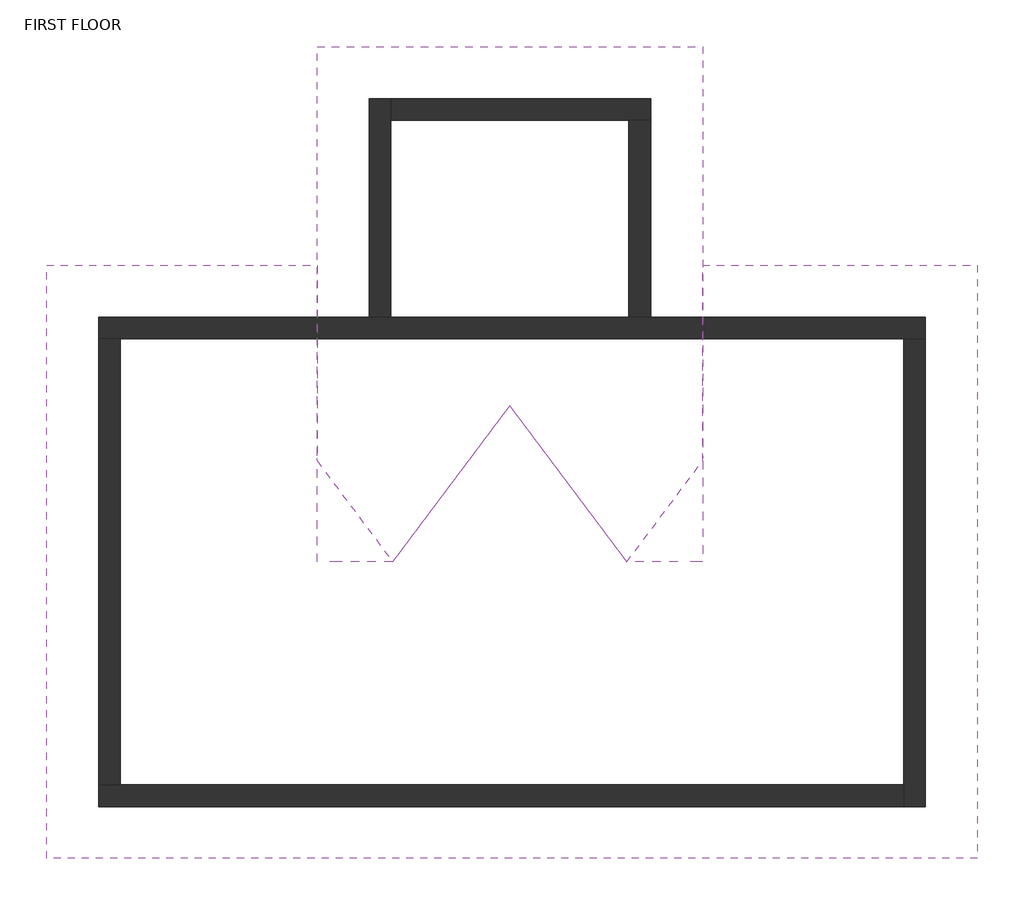
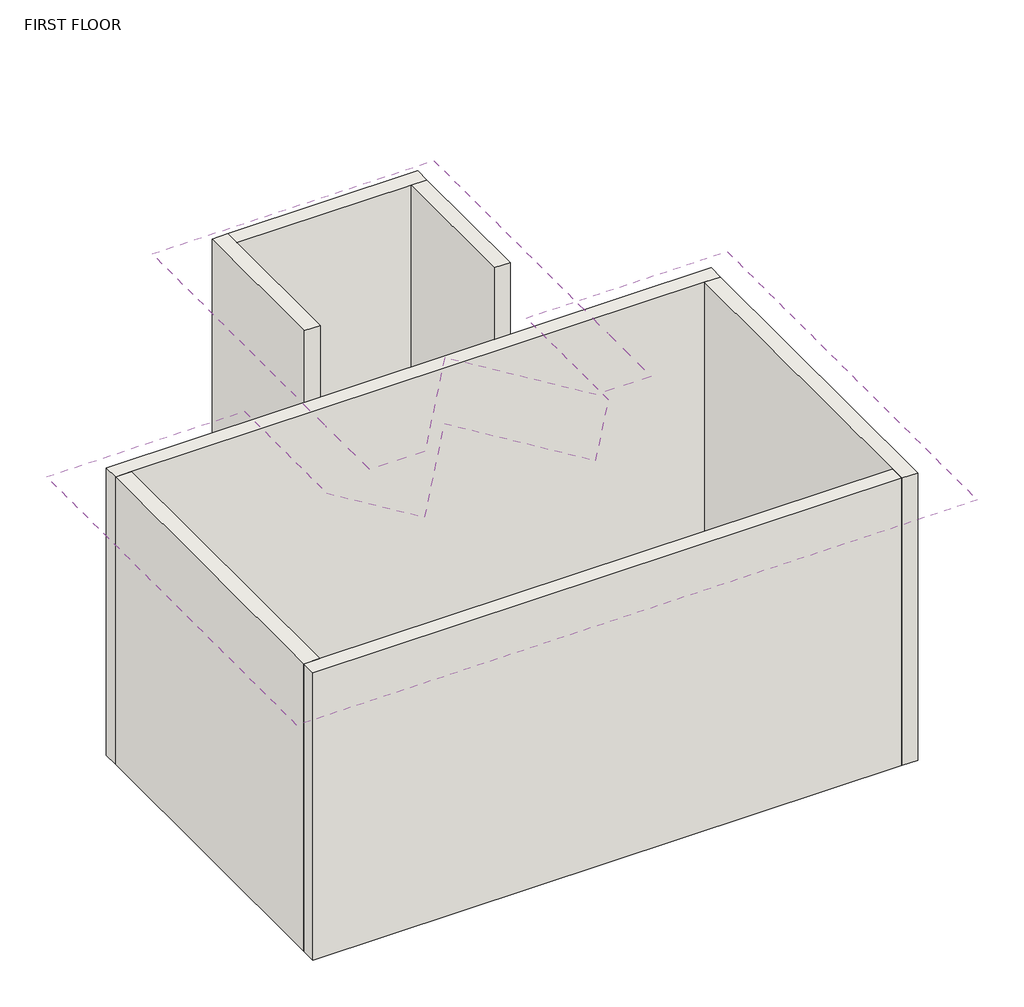
# One storey: 7 walls, 2 roofs.
"""IFC4 building model written with IfcOpenShell, lengths in millimetres."""

from ifc_helpers import new_model, si_unit, origin, origin_with_axes, place, context, project, spatial, polyline, outline, extrude, faceted_brep, element, save

model = new_model("IFC4")

# Units and contexts
model_context = context("Model", 3, world=origin())
ifc_project = project(units=[si_unit("LENGTHUNIT", "METRE", prefix="MILLI")], contexts=[model_context])

# Site, building, storey
site = spatial("IfcSite", under=ifc_project)
building = spatial("IfcBuilding", under=site)
storey = spatial("IfcBuildingStorey", under=building, Name="FIRST FLOOR", Elevation=0.0)

# Roofs
placement = place(None, origin())
element("IfcRoof", 1, ObjectType="Insulation on Metal Deck - EPDM", at=placement, inside=storey, context=model_context, shape_type="Brep", body=[
    faceted_brep([(4082.2228207, -14107.9478153, 3155.95), (4082.2228207, -12368.0478153, 2286.0), (5669.7228207, -12368.0478153, 2286.0), (5669.7228207, -13515.4529401, 2859.7025624), (6114.0939771, -14107.9478153, 3155.95), (9543.2228207, -15847.8478153, 2286.0), (4082.2228207, -15847.8478153, 2286.0), (6800.0228207, -13193.3760239, 3613.2358957), (7485.9516643, -14107.9478153, 3155.95), (9543.2228207, -14107.9478153, 3155.95), (4082.2228207, -12368.0478153, 2484.7864432), (4082.2228207, -14107.9478153, 3354.7364432), (6114.0939771, -14107.9478153, 3354.7364432), (5669.7228207, -13515.4529401, 3058.4890056), (5669.7228207, -12368.0478153, 2484.7864432), (4082.2228207, -15847.8478153, 2484.7864432), (9543.2228207, -15847.8478153, 2484.7864432), (9543.2228207, -14107.9478153, 3354.7364432), (7485.9516643, -14107.9478153, 3354.7364432), (6800.0228207, -13193.3760239, 3812.0223389), (7930.3228207, -12368.0478153, 2286.0), (9543.2228207, -12368.0478153, 2286.0), (7930.3228207, -13515.4529401, 2859.7025624), (9543.2228207, -12368.0478153, 2484.7864432), (7930.3228207, -12368.0478153, 2484.7864432), (7930.3228207, -13515.4529401, 3058.4890056)], [[[0, 1, 2, 3, 4]], [[5, 6, 0, 4, 7, 8, 9]], [[10, 11, 12, 13, 14]], [[15, 16, 17, 18, 19, 12, 11]], [[5, 16, 15, 6]], [[1, 10, 14, 2]], [[15, 11, 10, 1, 0, 6]], [[20, 21, 9, 8, 22]], [[23, 24, 25, 18, 17]], [[20, 24, 23, 21]], [[23, 17, 16, 5, 9, 21]], [[14, 13, 3, 2]], [[13, 12, 4, 3]], [[12, 19, 7, 4]], [[19, 18, 8, 7]], [[18, 25, 22, 8]], [[25, 24, 20, 22]]]),
])
element("IfcRoof", 2, ObjectType="Insulation on Metal Deck - EPDM", at=placement, inside=storey, context=model_context, shape_type="Brep", body=[
    faceted_brep([(6800.0228207, -11085.3478153, 3598.3333333), (7930.3228207, -11085.3478153, 2844.8), (7930.3228207, -13088.0749289, 2844.8), (7930.3228207, -13485.6478153, 2844.8), (7930.3228207, -14107.9478153, 2844.8), (7485.9516643, -14107.9478153, 3141.0474376), (6800.0228207, -13193.3760239, 3598.3333333), (6114.0939771, -14107.9478153, 3141.0474376), (5669.7228207, -14107.9478153, 2844.8), (5669.7228207, -13485.6478153, 2844.8), (5669.7228207, -13088.0749289, 2844.8), (5669.7228207, -11085.3478153, 2844.8), (7930.3228207, -11085.3478153, 3058.4890056), (6800.0228207, -11085.3478153, 3812.0223389), (6800.0228207, -13193.3760239, 3812.0223389), (7485.9516643, -14107.9478153, 3354.7364432), (7930.3228207, -13515.4529401, 3058.4890056), (7784.1313291, -14107.9478153, 3155.95), (7930.3228207, -14107.9478153, 3058.4890056), (7930.3228207, -13913.0258265, 3058.4890056), (5669.7228207, -11085.3478153, 3058.4890056), (5669.7228207, -13515.4529401, 3058.4890056), (6114.0939771, -14107.9478153, 3354.7364432), (5669.7228207, -13913.0258265, 3058.4890056), (5669.7228207, -14107.9478153, 3058.4890056), (5815.9143123, -14107.9478153, 3155.95), (5669.7228207, -13515.4529401, 2859.7025624), (7930.3228207, -13515.4529401, 2859.7025624), (6114.0939771, -14107.9478153, 3155.95), (6800.0228207, -13193.3760239, 3613.2358957), (7485.9516643, -14107.9478153, 3155.95)], [[[0, 1, 2, 3, 4, 5, 6]], [[0, 6, 7, 8, 9, 10, 11]], [[12, 13, 14, 15, 16]], [[17, 18, 19]], [[14, 13, 20, 21, 22]], [[23, 24, 25]], [[20, 11, 10, 9, 8, 24, 23, 26, 21]], [[18, 4, 3, 2, 1, 12, 16, 27, 19]], [[1, 0, 11, 20, 13, 12]], [[28, 26, 23, 25]], [[7, 6, 29, 14, 22, 28]], [[6, 5, 30, 15, 14, 29]], [[4, 18, 17, 30, 5]], [[24, 8, 7, 28, 25]], [[27, 30, 17, 19]], [[26, 28, 22, 21]], [[30, 27, 16, 15]]]),
])

# Walls
element("IfcWall", 3, ObjectType="S4A", at=placement, inside=storey, context=model_context, shape_type="Brep", body=[
    faceted_brep([(4387.0228207, -12799.8478153, 0.0), (4514.0228207, -12799.8478153, 0.0), (9111.4228207, -12799.8478153, 0.0), (9238.4228207, -12799.8478153, 0.0), (9238.4228207, -12799.8478153, 2438.4), (9111.4228207, -12799.8478153, 2438.4), (4514.0228207, -12799.8478153, 2438.4), (4387.0228207, -12799.8478153, 2438.4), (4387.0228207, -12672.8478153, 0.0), (4387.0228207, -12672.8478153, 2438.4), (9238.4228207, -12672.8478153, 2438.4), (9238.4228207, -12672.8478153, 0.0), (7625.5228207, -12672.8478153, 0.0), (7498.5228207, -12672.8478153, 0.0), (6101.5228207, -12672.8478153, 0.0), (5974.5228207, -12672.8478153, 0.0)], [[[0, 1, 2, 3, 4, 5, 6, 7]], [[8, 9, 10, 11, 12, 13, 14, 15]], [[3, 2, 1, 0, 8, 15, 14, 13, 12, 11]], [[7, 6, 5, 4, 10, 9]], [[4, 3, 11, 10]], [[0, 7, 9, 8]]]),
])
element("IfcWall", 4, ObjectType="S4A", at=placement, inside=storey, context=model_context, shape_type="Brep", body=[
    faceted_brep([(9111.4228207, -12799.8478153, 0.0), (9111.4228207, -15416.0478153, 0.0), (9111.4228207, -15543.0478153, 0.0), (9111.4228207, -15543.0478153, 2438.4), (9111.4228207, -15416.0478153, 2438.4), (9111.4228207, -12799.8478153, 2438.4), (9238.4228207, -12799.8478153, 0.0), (9238.4228207, -12799.8478153, 2438.4), (9238.4228207, -15543.0478153, 2438.4), (9238.4228207, -15543.0478153, 0.0)], [[[0, 1, 2, 3, 4, 5]], [[6, 7, 8, 9]], [[2, 1, 0, 6, 9]], [[5, 4, 3, 8, 7]], [[0, 5, 7, 6]], [[3, 2, 9, 8]]]),
])
element("IfcWall", 5, ObjectType="S4A", at=placement, inside=storey, context=model_context, shape_type="Brep", body=[
    faceted_brep([(9111.4228207, -15416.0478153, 0.0), (4514.0228207, -15416.0478153, 0.0), (4387.0228207, -15416.0478153, 0.0), (4387.0228207, -15416.0478153, 2438.4), (4514.0228207, -15416.0478153, 2438.4), (9111.4228207, -15416.0478153, 2438.4), (9111.4228207, -15543.0478153, 0.0), (9111.4228207, -15543.0478153, 2438.4), (4387.0228207, -15543.0478153, 2438.4), (4387.0228207, -15543.0478153, 0.0)], [[[0, 1, 2, 3, 4, 5]], [[6, 7, 8, 9]], [[2, 1, 0, 6, 9]], [[5, 4, 3, 8, 7]], [[0, 5, 7, 6]], [[3, 2, 9, 8]]]),
])
element("IfcWall", 6, ObjectType="S4A", at=placement, inside=storey, context=model_context, shape_type="SweptSolid", body=[
    extrude(outline(polyline([(4514.0228207, -12799.8478153), (4514.0228207, -15416.0478153), (4387.0228207, -15416.0478153), (4387.0228207, -12799.8478153), (4514.0228207, -12799.8478153)])), origin_with_axes(), (0.0, 0.0, 1.0), 2438.4),
])
element("IfcWall", 7, ObjectType="S4A", at=placement, inside=storey, context=model_context, shape_type="Brep", body=[
    faceted_brep([(6101.5228207, -12672.8478153, 0.0), (6101.5228207, -11517.1478153, 0.0), (6101.5228207, -11390.1478153, 0.0), (6101.5228207, -11390.1478153, 3048.0), (6101.5228207, -11517.1478153, 3048.0), (6101.5228207, -12672.8478153, 3048.0), (5974.5228207, -12672.8478153, 0.0), (5974.5228207, -12672.8478153, 3048.0), (5974.5228207, -11390.1478153, 3048.0), (5974.5228207, -11390.1478153, 0.0)], [[[0, 1, 2, 3, 4, 5]], [[6, 7, 8, 9]], [[2, 1, 0, 6, 9]], [[5, 4, 3, 8, 7]], [[0, 5, 7, 6]], [[3, 2, 9, 8]]]),
])
element("IfcWall", 8, ObjectType="S4A", at=placement, inside=storey, context=model_context, shape_type="Brep", body=[
    faceted_brep([(6101.5228207, -11517.1478153, 0.0), (7498.5228207, -11517.1478153, 0.0), (7625.5228207, -11517.1478153, 0.0), (7625.5228207, -11517.1478153, 3048.0), (7498.5228207, -11517.1478153, 3048.0), (6101.5228207, -11517.1478153, 3048.0), (6101.5228207, -11390.1478153, 0.0), (6101.5228207, -11390.1478153, 3048.0), (7625.5228207, -11390.1478153, 3048.0), (7625.5228207, -11390.1478153, 0.0)], [[[0, 1, 2, 3, 4, 5]], [[6, 7, 8, 9]], [[2, 1, 0, 6, 9]], [[5, 4, 3, 8, 7]], [[0, 5, 7, 6]], [[3, 2, 9, 8]]]),
])
element("IfcWall", 9, ObjectType="S4A", at=placement, inside=storey, context=model_context, shape_type="SweptSolid", body=[
    extrude(outline(polyline([(7498.5228207, -12672.8478153), (7498.5228207, -11517.1478153), (7625.5228207, -11517.1478153), (7625.5228207, -12672.8478153), (7498.5228207, -12672.8478153)])), origin_with_axes(), (0.0, 0.0, 1.0), 3048.0),
])

save(model, "model.ifc")
